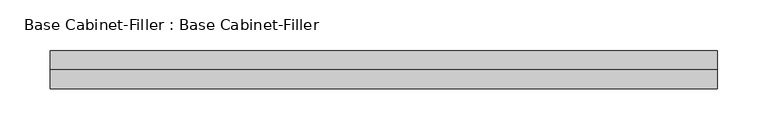
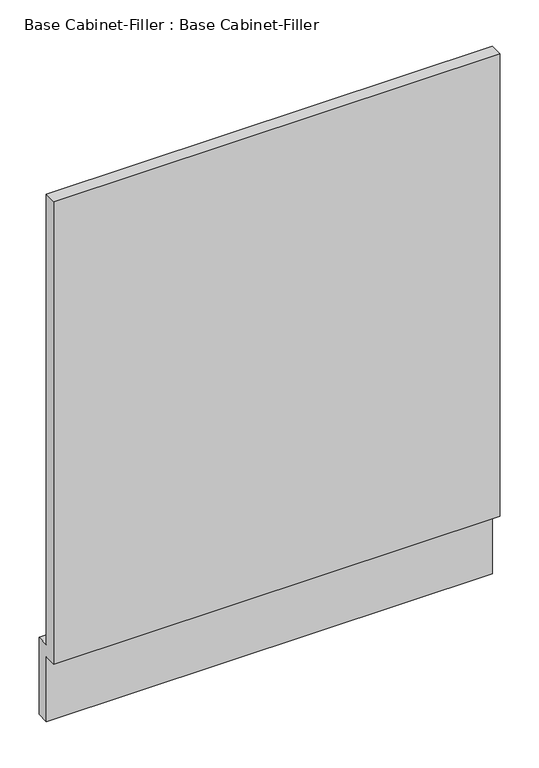
"""IFC4 building model written with IfcOpenShell, lengths in millimetres: furniture geometry, Base Cabinet-Filler : Base Cabinet-Filler."""

import ifcopenshell
import ifcopenshell.guid

model = None  # the IFC model being written
_history = None  # IfcOwnerHistory: only IFC2X3 demands one
_inside = {}  # id of a spatial element -> (the spatial element, [elements in it])
_under = {}  # id of a project, library or spatial element -> (it, [spatial elements below it])
_declared = {}  # id of a project -> (the project, [libraries it declares])
_typed = {}  # id of a type object -> (the type object, [elements of that type])
_made_of = {}  # id of a material, layer set ... -> (it, [elements and type objects made of it])


def new_model(schema):
    """Start an empty IFC model of exactly this schema.

    Asked for "IFC4X3", IfcOpenShell would pick the latest addendum, in which some entities
    have other attributes; the version numbers below select the first issue.
    IFC2X3 requires an IfcOwnerHistory on every rooted entity: one is made here for all.
    """
    global model, _history
    if schema == "IFC4X3":
        model = ifcopenshell.file(schema_version=(4, 3, 0, 0))
    else:
        model = ifcopenshell.file(schema=schema)
    _inside.clear()
    _under.clear()
    _declared.clear()
    _typed.clear()
    _made_of.clear()
    _history = None
    if model.schema == "IFC2X3":
        org = make("IfcOrganization", Name="unknown")
        user = make(
            "IfcPersonAndOrganization",
            ThePerson=make("IfcPerson", FamilyName="unknown"),
            TheOrganization=org,
        )
        app = make(
            "IfcApplication",
            ApplicationDeveloper=org,
            Version="unknown",
            ApplicationFullName="unknown",
            ApplicationIdentifier="unknown",
        )
        _history = make(
            "IfcOwnerHistory",
            OwningUser=user,
            OwningApplication=app,
            ChangeAction="ADDED",
            CreationDate=0,
        )
    return model


def make(cls, **values):
    """One entity of the class cls with the attributes given. An attribute that is None is left unset."""
    return model.create_entity(
        cls, **{name: value for name, value in values.items() if value is not None}
    )


def rooted(cls, **values):
    """An entity with a GlobalId (a new one), such as an element, a storey or a relation."""
    return make(cls, GlobalId=ifcopenshell.guid.new(), OwnerHistory=_history, **values)


def si_unit(unit_type, name, prefix=None):
    """IfcSIUnit, for example si_unit("LENGTHUNIT", "METRE", prefix="MILLI")."""
    return make("IfcSIUnit", UnitType=unit_type, Prefix=prefix, Name=name)


def assignment(units):
    """IfcUnitAssignment: the units of a project."""
    return None if units is None else make("IfcUnitAssignment", Units=units)


def point(xyz):
    """IfcCartesianPoint."""
    return None if xyz is None else make("IfcCartesianPoint", Coordinates=xyz)


def direction(xyz):
    """IfcDirection."""
    return None if xyz is None else make("IfcDirection", DirectionRatios=xyz)


def frame(location, z_axis=None, x_axis=None):
    """IfcAxis2Placement3D, a coordinate frame: its origin and axes. An axis left out is left unset."""
    return make(
        "IfcAxis2Placement3D",
        Location=point(location),
        Axis=direction(z_axis),
        RefDirection=direction(x_axis),
    )


def origin():
    """The frame at (0, 0, 0) with its axes left unset."""
    return frame((0.0, 0.0, 0.0))


def place(relative_to, where):
    """IfcLocalPlacement: puts the frame where relative to a parent placement (None: the world)."""
    return make(
        "IfcLocalPlacement", PlacementRelTo=relative_to, RelativePlacement=where
    )


def context(
    kind, dimensions, precision=None, world=None, true_north=None, identifier=None
):
    """IfcGeometricRepresentationContext, for example the 3D "Model" context."""
    return make(
        "IfcGeometricRepresentationContext",
        ContextIdentifier=identifier,
        ContextType=kind,
        CoordinateSpaceDimension=dimensions,
        Precision=precision,
        WorldCoordinateSystem=world,
        TrueNorth=true_north,
    )


def project(units=None, contexts=None):
    """IfcProject with its units and contexts."""
    return rooted(
        "IfcProject",
        Name="project",
        RepresentationContexts=contexts,
        UnitsInContext=assignment(units),
    )


def spatial(cls, under=None, at=None, **own):
    """A site, building, storey or space (cls), placed at a placement, below another one or the project."""
    s = rooted(cls, ObjectPlacement=at, **own)
    if under is not None:
        _under.setdefault(under.id(), (under, []))[1].append(s)
    return s


def polyline(points):
    """IfcPolyline through the points."""
    return make("IfcPolyline", Points=[point(p) for p in points])


def outline(outer, holes=None, kind="AREA"):
    """IfcArbitraryClosedProfileDef: a profile drawn as a closed curve; with holes, ...WithVoids."""
    if holes is None:
        return make("IfcArbitraryClosedProfileDef", ProfileType=kind, OuterCurve=outer)
    return make(
        "IfcArbitraryProfileDefWithVoids",
        ProfileType=kind,
        OuterCurve=outer,
        InnerCurves=holes,
    )


def extrude(swept, where, along, depth):
    """IfcExtrudedAreaSolid: the profile swept, set in the frame where, extruded along a direction by depth."""
    return make(
        "IfcExtrudedAreaSolid",
        SweptArea=swept,
        Position=where,
        ExtrudedDirection=direction(along),
        Depth=depth,
    )


def shape(context_of_items, identifier, shape_type, items):
    """IfcShapeRepresentation: the items that make up one representation, for example the "Body"."""
    return make(
        "IfcShapeRepresentation",
        ContextOfItems=context_of_items,
        RepresentationIdentifier=identifier,
        RepresentationType=shape_type,
        Items=items,
    )


def source(mapping_origin, context_of_items, identifier, shape_type, items):
    """IfcRepresentationMap: a shape defined once, which mapped items show again and again."""
    return make(
        "IfcRepresentationMap",
        MappingOrigin=mapping_origin,
        MappedRepresentation=shape(context_of_items, identifier, shape_type, items),
    )


def transform(
    local_origin,
    x_axis=None,
    y_axis=None,
    z_axis=None,
    scale=None,
    scale2=None,
    scale3=None,
    uniform=True,
):
    """IfcCartesianTransformationOperator3D, or its non-uniform kind. x_axis, y_axis, z_axis: its Axis1, 2, 3."""
    if uniform:
        return make(
            "IfcCartesianTransformationOperator3D",
            Axis1=direction(x_axis),
            Axis2=direction(y_axis),
            LocalOrigin=point(local_origin),
            Scale=scale,
            Axis3=direction(z_axis),
        )
    return make(
        "IfcCartesianTransformationOperator3DnonUniform",
        Axis1=direction(x_axis),
        Axis2=direction(y_axis),
        LocalOrigin=point(local_origin),
        Scale=scale,
        Axis3=direction(z_axis),
        Scale2=scale2,
        Scale3=scale3,
    )


def mapped(mapping_source, mapping_target):
    """IfcMappedItem: shows the shape of a source again, moved by a transform."""
    return make(
        "IfcMappedItem", MappingSource=mapping_source, MappingTarget=mapping_target
    )


def made_of(thing, what):
    """Note that an element or type object is made of a material, layer set ...; save() writes the relation."""
    if what is not None:
        _made_of.setdefault(what.id(), (what, []))[1].append(thing)
    return thing


def element(
    cls,
    number,
    at=None,
    inside=None,
    cuts=None,
    type_object=None,
    material=None,
    context=None,
    identifier="Body",
    shape_type=None,
    held_by="IfcProductDefinitionShape",
    body=None,
    shapes=None,
    **own,
):
    """One element of the class cls, such as IfcWall. Its Tag is "e" and its number.

    at: its placement. inside: the storey or other place that contains it. cuts: it is an
    opening in that element (IfcRelVoidsElement). A single representation is given by context,
    identifier, shape_type and body (its items); several are given by shapes. held_by: the class
    of the entity that holds the representations. save() writes the other relations.
    """
    e = rooted(cls, Tag="e%d" % number, ObjectPlacement=at, **own)
    if body is not None:
        shapes = [shape(context, identifier, shape_type, body)]
    if shapes is not None:
        e.Representation = make(held_by, Representations=shapes)
    if inside is not None:
        _inside.setdefault(inside.id(), (inside, []))[1].append(e)
    if cuts is not None:
        rooted(
            "IfcRelVoidsElement", RelatingBuildingElement=cuts, RelatedOpeningElement=e
        )
    if type_object is not None:
        _typed.setdefault(type_object.id(), (type_object, []))[1].append(e)
    return made_of(e, material)


def aggregate(whole, parts):
    """IfcRelAggregates: a whole, such as a stair, and the parts it consists of."""
    return rooted("IfcRelAggregates", RelatingObject=whole, RelatedObjects=parts)


def save(model, path):
    """Write the relations noted so far, then the file.

    IfcRelAggregates (storeys below a building ...), IfcRelContainedInSpatialStructure (elements
    in a storey), IfcRelDefinesByType, IfcRelAssociatesMaterial and IfcRelDeclares: one each for
    every whole, place, type object, material and project.
    """
    for whole, parts in _under.values():
        aggregate(whole, parts)
    for where, things in _inside.values():
        rooted(
            "IfcRelContainedInSpatialStructure",
            RelatedElements=things,
            RelatingStructure=where,
        )
    for kind, things in _typed.values():
        rooted("IfcRelDefinesByType", RelatedObjects=things, RelatingType=kind)
    for what, things in _made_of.values():
        rooted("IfcRelAssociatesMaterial", RelatedObjects=things, RelatingMaterial=what)
    for by, libraries in _declared.values():
        rooted("IfcRelDeclares", RelatingContext=by, RelatedDefinitions=libraries)
    model.write(path)


def base_cabinet_filler_base_cabinet_filler_118d0aa6(model_context):
    return source(origin(), model_context, "Body", "SweptSolid", [
        extrude(outline(polyline([(-590.55, 101.6), (-590.55, 825.5), (-571.5, 825.5), (-571.5, 120.65), (-552.45, 120.65), (-552.45, 0.0), (-571.5, 0.0), (-571.5, 101.6), (-590.55, 101.6)])), frame((-311.4622951, 0.0, 0.0), z_axis=(1.0, 0.0, 0.0), x_axis=(0.0, 1.0, 0.0)), (0.0, 0.0, 1.0), 660.4),
    ])


if __name__ == "__main__":
    model = new_model("IFC4")
    model_context = context("Model", 3, world=origin())
    ifc_project = project(units=[si_unit("LENGTHUNIT", "METRE", prefix="MILLI")], contexts=[model_context])
    site = spatial("IfcSite", under=ifc_project)
    building = spatial("IfcBuilding", under=site)
    placement = place(None, origin())
    base_cabinet_filler_base_cabinet_filler_shape = base_cabinet_filler_base_cabinet_filler_118d0aa6(model_context)
    element("IfcFurniture", 1, ObjectType="Base Cabinet-Filler : Base Cabinet-Filler", at=placement, inside=building, context=model_context, shape_type="MappedRepresentation", body=[
        mapped(base_cabinet_filler_base_cabinet_filler_shape, transform((0.0, 0.0, 0.0), x_axis=(1.0, 0.0, 0.0), y_axis=(0.0, 1.0, 0.0), z_axis=(0.0, 0.0, 1.0))),
    ])
    save(model, "model.ifc")
